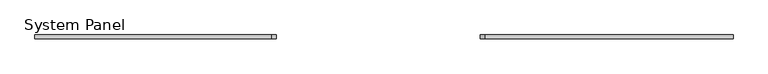
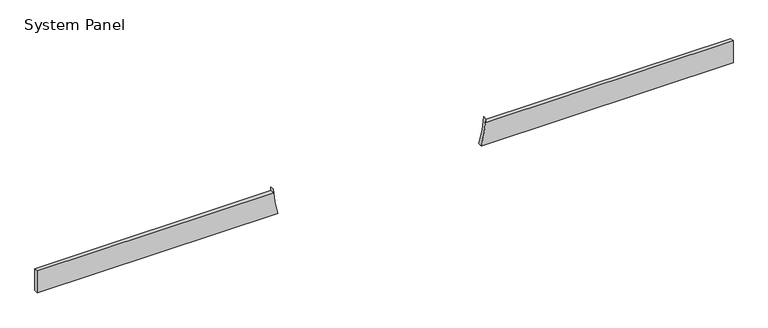
"""IFC4 building model written with IfcOpenShell, lengths in millimetres: plate geometry, System Panel."""

from ifc_helpers import new_model, si_unit, point, frame, frame_2d, origin, place, context, project, spatial, polyline, circle_curve, trimmed, segment, composite_curve, outline, extrude, source, transform, mapped, element, save


def system_panel_2bcaf0e9(model_context):
    return source(origin(), model_context, "Body", "SweptSolid", [
        extrude(outline(composite_curve([segment(polyline([(0.0, 621.3820707), (0.0, 2250.0), (150.0, 2250.0), (150.0, 650.6590324), (175.0, 650.6590324)]), True, "CONTINUOUS"), segment(trimmed(circle_curve(frame_2d((200.0, -36.4365219)), 687.5502169), [point((175.0, 650.6590324))], [point((0.0, 621.3820707))], True, "CARTESIAN"), True, "CONTINUOUS")], self_intersect=False)), frame((0.0, 24.5, 0.0), z_axis=(0.0, 1.0, 0.0), x_axis=(0.0, 0.0, 1.0)), (0.0, 0.0, 1.0), 25.0),
        extrude(outline(composite_curve([segment(polyline([(0.0, -2250.0), (0.0, -694.2551145)]), True, "CONTINUOUS"), segment(trimmed(circle_curve(frame_2d((200.0, -36.4365219)), 687.5502169), [point((0.0, -694.2551145))], [point((175.0, -723.5320763))], True, "CARTESIAN"), True, "CONTINUOUS"), segment(polyline([(175.0, -723.5320763), (150.0, -723.5320763), (150.0, -2250.0), (0.0, -2250.0)]), True, "CONTINUOUS")], self_intersect=False)), frame((0.0, 24.5, 0.0), z_axis=(0.0, 1.0, 0.0), x_axis=(0.0, 0.0, 1.0)), (0.0, 0.0, 1.0), 25.0),
    ])


if __name__ == "__main__":
    model = new_model("IFC4")
    model_context = context("Model", 3, world=origin())
    ifc_project = project(units=[si_unit("LENGTHUNIT", "METRE", prefix="MILLI")], contexts=[model_context])
    site = spatial("IfcSite", under=ifc_project)
    building = spatial("IfcBuilding", under=site)
    placement = place(None, origin())
    system_panel_shape = system_panel_2bcaf0e9(model_context)
    element("IfcPlate", 1, ObjectType="System Panel", at=placement, inside=building, context=model_context, shape_type="MappedRepresentation", body=[
        mapped(system_panel_shape, transform((0.0, 0.0, 0.0), x_axis=(1.0, 0.0, 0.0), y_axis=(0.0, 1.0, 0.0), z_axis=(0.0, 0.0, 1.0))),
    ])
    save(model, "model.ifc")
